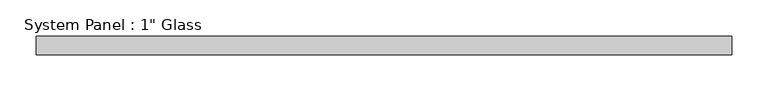
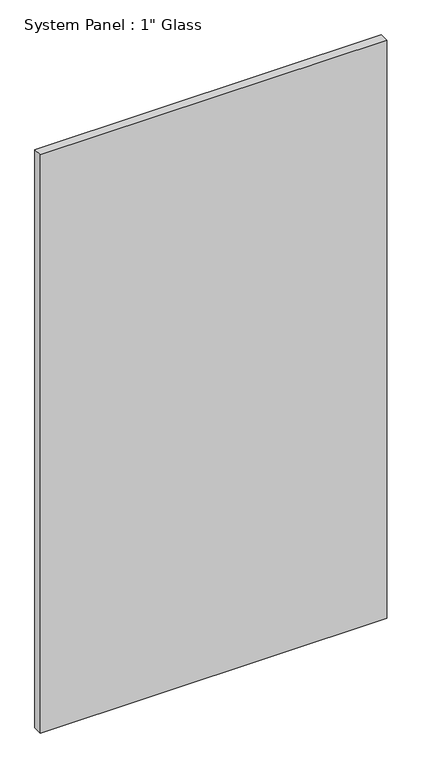
"""IFC4 building model written with IfcOpenShell, lengths in millimetres: plate geometry."""

import ifcopenshell
import ifcopenshell.guid

model = None  # the IFC model being written
_history = None  # IfcOwnerHistory: only IFC2X3 demands one
_inside = {}  # id of a spatial element -> (the spatial element, [elements in it])
_under = {}  # id of a project, library or spatial element -> (it, [spatial elements below it])
_declared = {}  # id of a project -> (the project, [libraries it declares])
_typed = {}  # id of a type object -> (the type object, [elements of that type])
_made_of = {}  # id of a material, layer set ... -> (it, [elements and type objects made of it])


def new_model(schema):
    """Start an empty IFC model of exactly this schema.

    Asked for "IFC4X3", IfcOpenShell would pick the latest addendum, in which some entities
    have other attributes; the version numbers below select the first issue.
    IFC2X3 requires an IfcOwnerHistory on every rooted entity: one is made here for all.
    """
    global model, _history
    if schema == "IFC4X3":
        model = ifcopenshell.file(schema_version=(4, 3, 0, 0))
    else:
        model = ifcopenshell.file(schema=schema)
    _inside.clear()
    _under.clear()
    _declared.clear()
    _typed.clear()
    _made_of.clear()
    _history = None
    if model.schema == "IFC2X3":
        org = make("IfcOrganization", Name="unknown")
        user = make(
            "IfcPersonAndOrganization",
            ThePerson=make("IfcPerson", FamilyName="unknown"),
            TheOrganization=org,
        )
        app = make(
            "IfcApplication",
            ApplicationDeveloper=org,
            Version="unknown",
            ApplicationFullName="unknown",
            ApplicationIdentifier="unknown",
        )
        _history = make(
            "IfcOwnerHistory",
            OwningUser=user,
            OwningApplication=app,
            ChangeAction="ADDED",
            CreationDate=0,
        )
    return model


def make(cls, **values):
    """One entity of the class cls with the attributes given. An attribute that is None is left unset."""
    return model.create_entity(
        cls, **{name: value for name, value in values.items() if value is not None}
    )


def rooted(cls, **values):
    """An entity with a GlobalId (a new one), such as an element, a storey or a relation."""
    return make(cls, GlobalId=ifcopenshell.guid.new(), OwnerHistory=_history, **values)


def si_unit(unit_type, name, prefix=None):
    """IfcSIUnit, for example si_unit("LENGTHUNIT", "METRE", prefix="MILLI")."""
    return make("IfcSIUnit", UnitType=unit_type, Prefix=prefix, Name=name)


def assignment(units):
    """IfcUnitAssignment: the units of a project."""
    return None if units is None else make("IfcUnitAssignment", Units=units)


def point(xyz):
    """IfcCartesianPoint."""
    return None if xyz is None else make("IfcCartesianPoint", Coordinates=xyz)


def direction(xyz):
    """IfcDirection."""
    return None if xyz is None else make("IfcDirection", DirectionRatios=xyz)


def frame(location, z_axis=None, x_axis=None):
    """IfcAxis2Placement3D, a coordinate frame: its origin and axes. An axis left out is left unset."""
    return make(
        "IfcAxis2Placement3D",
        Location=point(location),
        Axis=direction(z_axis),
        RefDirection=direction(x_axis),
    )


def origin():
    """The frame at (0, 0, 0) with its axes left unset."""
    return frame((0.0, 0.0, 0.0))


def origin_with_axes():
    """The frame at (0, 0, 0) with the z axis (0, 0, 1) and the x axis (1, 0, 0) written out."""
    return frame((0.0, 0.0, 0.0), z_axis=(0.0, 0.0, 1.0), x_axis=(1.0, 0.0, 0.0))


def place(relative_to, where):
    """IfcLocalPlacement: puts the frame where relative to a parent placement (None: the world)."""
    return make(
        "IfcLocalPlacement", PlacementRelTo=relative_to, RelativePlacement=where
    )


def context(
    kind, dimensions, precision=None, world=None, true_north=None, identifier=None
):
    """IfcGeometricRepresentationContext, for example the 3D "Model" context."""
    return make(
        "IfcGeometricRepresentationContext",
        ContextIdentifier=identifier,
        ContextType=kind,
        CoordinateSpaceDimension=dimensions,
        Precision=precision,
        WorldCoordinateSystem=world,
        TrueNorth=true_north,
    )


def project(units=None, contexts=None):
    """IfcProject with its units and contexts."""
    return rooted(
        "IfcProject",
        Name="project",
        RepresentationContexts=contexts,
        UnitsInContext=assignment(units),
    )


def spatial(cls, under=None, at=None, **own):
    """A site, building, storey or space (cls), placed at a placement, below another one or the project."""
    s = rooted(cls, ObjectPlacement=at, **own)
    if under is not None:
        _under.setdefault(under.id(), (under, []))[1].append(s)
    return s


def polyline(points):
    """IfcPolyline through the points."""
    return make("IfcPolyline", Points=[point(p) for p in points])


def outline(outer, holes=None, kind="AREA"):
    """IfcArbitraryClosedProfileDef: a profile drawn as a closed curve; with holes, ...WithVoids."""
    if holes is None:
        return make("IfcArbitraryClosedProfileDef", ProfileType=kind, OuterCurve=outer)
    return make(
        "IfcArbitraryProfileDefWithVoids",
        ProfileType=kind,
        OuterCurve=outer,
        InnerCurves=holes,
    )


def extrude(swept, where, along, depth):
    """IfcExtrudedAreaSolid: the profile swept, set in the frame where, extruded along a direction by depth."""
    return make(
        "IfcExtrudedAreaSolid",
        SweptArea=swept,
        Position=where,
        ExtrudedDirection=direction(along),
        Depth=depth,
    )


def shape(context_of_items, identifier, shape_type, items):
    """IfcShapeRepresentation: the items that make up one representation, for example the "Body"."""
    return make(
        "IfcShapeRepresentation",
        ContextOfItems=context_of_items,
        RepresentationIdentifier=identifier,
        RepresentationType=shape_type,
        Items=items,
    )


def source(mapping_origin, context_of_items, identifier, shape_type, items):
    """IfcRepresentationMap: a shape defined once, which mapped items show again and again."""
    return make(
        "IfcRepresentationMap",
        MappingOrigin=mapping_origin,
        MappedRepresentation=shape(context_of_items, identifier, shape_type, items),
    )


def transform(
    local_origin,
    x_axis=None,
    y_axis=None,
    z_axis=None,
    scale=None,
    scale2=None,
    scale3=None,
    uniform=True,
):
    """IfcCartesianTransformationOperator3D, or its non-uniform kind. x_axis, y_axis, z_axis: its Axis1, 2, 3."""
    if uniform:
        return make(
            "IfcCartesianTransformationOperator3D",
            Axis1=direction(x_axis),
            Axis2=direction(y_axis),
            LocalOrigin=point(local_origin),
            Scale=scale,
            Axis3=direction(z_axis),
        )
    return make(
        "IfcCartesianTransformationOperator3DnonUniform",
        Axis1=direction(x_axis),
        Axis2=direction(y_axis),
        LocalOrigin=point(local_origin),
        Scale=scale,
        Axis3=direction(z_axis),
        Scale2=scale2,
        Scale3=scale3,
    )


def mapped(mapping_source, mapping_target):
    """IfcMappedItem: shows the shape of a source again, moved by a transform."""
    return make(
        "IfcMappedItem", MappingSource=mapping_source, MappingTarget=mapping_target
    )


def made_of(thing, what):
    """Note that an element or type object is made of a material, layer set ...; save() writes the relation."""
    if what is not None:
        _made_of.setdefault(what.id(), (what, []))[1].append(thing)
    return thing


def element(
    cls,
    number,
    at=None,
    inside=None,
    cuts=None,
    type_object=None,
    material=None,
    context=None,
    identifier="Body",
    shape_type=None,
    held_by="IfcProductDefinitionShape",
    body=None,
    shapes=None,
    **own,
):
    """One element of the class cls, such as IfcWall. Its Tag is "e" and its number.

    at: its placement. inside: the storey or other place that contains it. cuts: it is an
    opening in that element (IfcRelVoidsElement). A single representation is given by context,
    identifier, shape_type and body (its items); several are given by shapes. held_by: the class
    of the entity that holds the representations. save() writes the other relations.
    """
    e = rooted(cls, Tag="e%d" % number, ObjectPlacement=at, **own)
    if body is not None:
        shapes = [shape(context, identifier, shape_type, body)]
    if shapes is not None:
        e.Representation = make(held_by, Representations=shapes)
    if inside is not None:
        _inside.setdefault(inside.id(), (inside, []))[1].append(e)
    if cuts is not None:
        rooted(
            "IfcRelVoidsElement", RelatingBuildingElement=cuts, RelatedOpeningElement=e
        )
    if type_object is not None:
        _typed.setdefault(type_object.id(), (type_object, []))[1].append(e)
    return made_of(e, material)


def aggregate(whole, parts):
    """IfcRelAggregates: a whole, such as a stair, and the parts it consists of."""
    return rooted("IfcRelAggregates", RelatingObject=whole, RelatedObjects=parts)


def save(model, path):
    """Write the relations noted so far, then the file.

    IfcRelAggregates (storeys below a building ...), IfcRelContainedInSpatialStructure (elements
    in a storey), IfcRelDefinesByType, IfcRelAssociatesMaterial and IfcRelDeclares: one each for
    every whole, place, type object, material and project.
    """
    for whole, parts in _under.values():
        aggregate(whole, parts)
    for where, things in _inside.values():
        rooted(
            "IfcRelContainedInSpatialStructure",
            RelatedElements=things,
            RelatingStructure=where,
        )
    for kind, things in _typed.values():
        rooted("IfcRelDefinesByType", RelatedObjects=things, RelatingType=kind)
    for what, things in _made_of.values():
        rooted("IfcRelAssociatesMaterial", RelatedObjects=things, RelatingMaterial=what)
    for by, libraries in _declared.values():
        rooted("IfcRelDeclares", RelatingContext=by, RelatedDefinitions=libraries)
    model.write(path)


def plate_1e8e7710(model_context):
    return source(origin(), model_context, "Body", "SweptSolid", [
        extrude(outline(polyline([(480.5602332, -12.7), (-480.5602332, -12.7), (-480.5602332, 12.7), (480.5602332, 12.7), (480.5602332, -12.7)])), origin_with_axes(), (0.0, 0.0, 1.0), 1695.45),
    ])


if __name__ == "__main__":
    model = new_model("IFC4")
    model_context = context("Model", 3, world=origin())
    ifc_project = project(units=[si_unit("LENGTHUNIT", "METRE", prefix="MILLI")], contexts=[model_context])
    site = spatial("IfcSite", under=ifc_project)
    building = spatial("IfcBuilding", under=site)
    placement = place(None, origin())
    plate_shape = plate_1e8e7710(model_context)
    element("IfcPlate", 1, ObjectType="System Panel : 1\" Glass", at=placement, inside=building, context=model_context, shape_type="MappedRepresentation", body=[
        mapped(plate_shape, transform((0.0, 0.0, 0.0), x_axis=(1.0, 0.0, 0.0), y_axis=(0.0, 1.0, 0.0), z_axis=(0.0, 0.0, 1.0))),
    ])
    save(model, "model.ifc")
